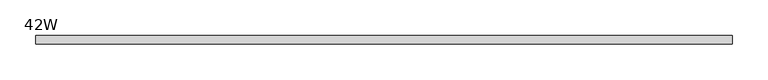
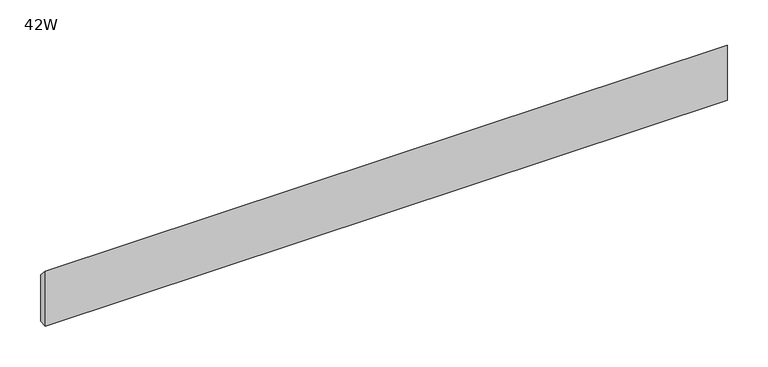
"""IFC4 building model written with IfcOpenShell, lengths in millimetres: furniture geometry, 42W."""

from ifc_helpers import new_model, si_unit, frame, origin, place, context, project, spatial, polyline, outline, extrude, source, transform, mapped, element, save


def furniture_42w_fcad211b(model_context):
    return source(origin(), model_context, "Body", "SweptSolid", [
        extrude(outline(polyline([(-11.938, 677.7482), (-11.938, 760.2982), (0.0, 747.5982), (0.0, 677.7482), (-11.938, 677.7482)])), frame((48.006, 0.0, 0.0), z_axis=(1.0, 0.0, 0.0), x_axis=(0.0, 1.0, 0.0)), (0.0, 0.0, 1.0), 970.788),
    ])


if __name__ == "__main__":
    model = new_model("IFC4")
    model_context = context("Model", 3, world=origin())
    ifc_project = project(units=[si_unit("LENGTHUNIT", "METRE", prefix="MILLI")], contexts=[model_context])
    site = spatial("IfcSite", under=ifc_project)
    building = spatial("IfcBuilding", under=site)
    placement = place(None, origin())
    furniture_42w_shape = furniture_42w_fcad211b(model_context)
    element("IfcFurniture", 1, ObjectType="42W", at=placement, inside=building, context=model_context, shape_type="MappedRepresentation", body=[
        mapped(furniture_42w_shape, transform((0.0, 0.0, 0.0), x_axis=(1.0, 0.0, 0.0), y_axis=(0.0, 1.0, 0.0), z_axis=(0.0, 0.0, 1.0))),
    ])
    save(model, "model.ifc")
